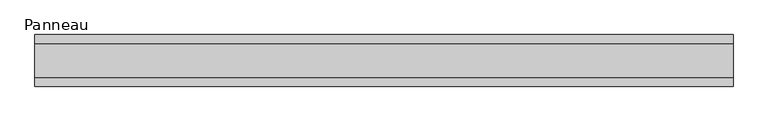
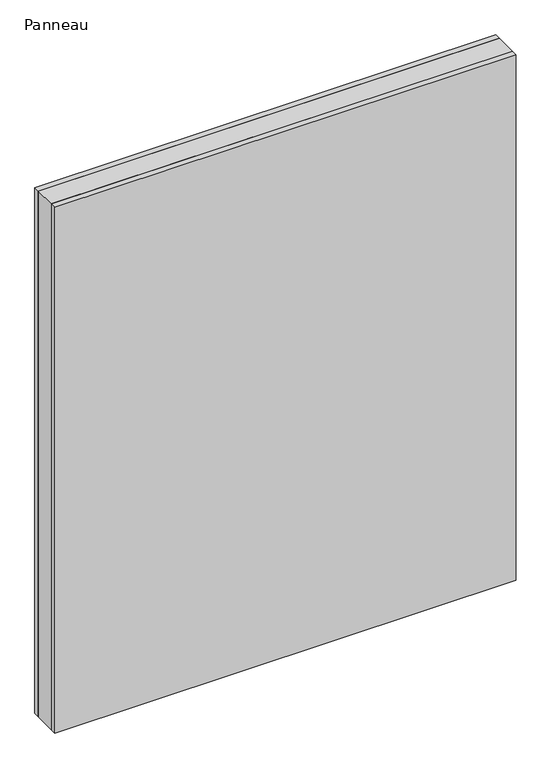
"""IFC4 building model written with IfcOpenShell, lengths in millimetres: plate geometry, Panneau."""

from ifc_helpers import new_model, si_unit, origin, origin_with_axes, place, context, project, spatial, polyline, outline, extrude, source, transform, mapped, element, save


def panneau_d1f375e9(model_context):
    return source(origin(), model_context, "Body", "SweptSolid", [
        extrude(outline(polyline([(603.3750001, 29.0), (603.3750001, -29.0), (-603.3750001, -29.0), (-603.3750001, 29.0), (603.3750001, 29.0)])), origin_with_axes(), (0.0, 0.0, 1.0), 1453.5),
        extrude(outline(polyline([(603.3750001, 45.0), (603.3750001, 29.0), (-603.3750001, 29.0), (-603.3750001, 45.0), (603.3750001, 45.0)])), origin_with_axes(), (0.0, 0.0, 1.0), 1453.5),
        extrude(outline(polyline([(-603.3750001, -45.0), (-603.3750001, -29.0), (603.3750001, -29.0), (603.3750001, -45.0), (-603.3750001, -45.0)])), origin_with_axes(), (0.0, 0.0, 1.0), 1453.5),
    ])


if __name__ == "__main__":
    model = new_model("IFC4")
    model_context = context("Model", 3, world=origin())
    ifc_project = project(units=[si_unit("LENGTHUNIT", "METRE", prefix="MILLI")], contexts=[model_context])
    site = spatial("IfcSite", under=ifc_project)
    building = spatial("IfcBuilding", under=site)
    placement = place(None, origin())
    panneau_shape = panneau_d1f375e9(model_context)
    element("IfcPlate", 1, ObjectType="Panneau", at=placement, inside=building, context=model_context, shape_type="MappedRepresentation", body=[
        mapped(panneau_shape, transform((0.0, 0.0, 0.0), x_axis=(1.0, 0.0, 0.0), y_axis=(0.0, 1.0, 0.0), z_axis=(0.0, 0.0, 1.0))),
    ])
    save(model, "model.ifc")
